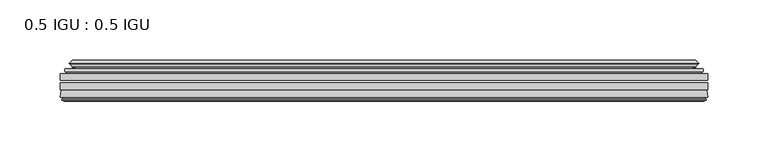
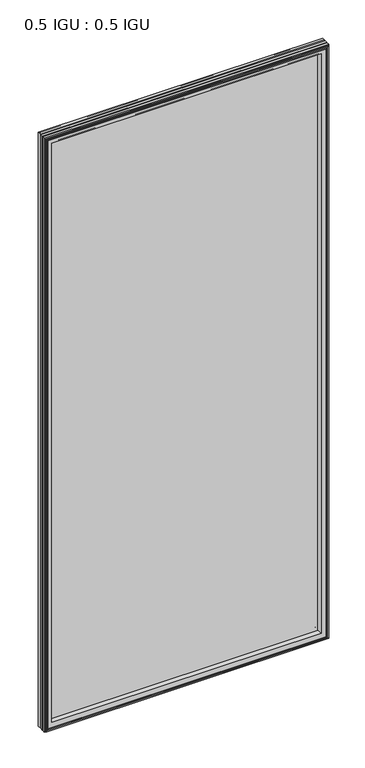
"""IFC4 building model written with IfcOpenShell, lengths in millimetres: plate geometry, 0.5 IGU : 0.5 IGU."""

from ifc_helpers import new_model, si_unit, frame, origin, place, context, project, spatial, polyline, ellipse_curve, outline, extrude, source, transform, mapped, element, save
from ifc_brep_helpers import plane_surface, cylinder_surface, revolved_surface, advanced_brep


def plate_0_5_igu_0_5_igu_b708f7c6(model_context):
    return source(origin(), model_context, "Body", "SolidModel", [
        extrude(outline(polyline([(268.301675, -55.82285), (268.301675, -61.48705), (-268.2875, -61.48705), (-268.2875, -55.82285), (268.301675, -55.82285)])), frame((0.0, 0.0, -14.2875), z_axis=(0.0, 0.0, 1.0), x_axis=(1.0, 0.0, 0.0)), (0.0, 0.0, 1.0), 1184.2787979),
        extrude(outline(polyline([(-268.2875, -69.05625), (-268.2875, -63.39205), (268.301675, -63.39205), (268.301675, -69.05625), (-268.2875, -69.05625)])), frame((0.0, 0.0, -14.2875), z_axis=(0.0, 0.0, 1.0), x_axis=(1.0, 0.0, 0.0)), (0.0, 0.0, 1.0), 1184.2787979),
        advanced_brep(
        [(-264.1849626, -54.3724927, 1165.8849626), (-263.1404378, -51.60645, 1164.8404378), (-263.1404378, -51.60645, -9.1404378), (-264.1849626, -54.3724927, -10.1849626), (-262.548517, -55.82285, 1164.248517), (-262.548517, -55.82285, -8.548517), (-254.0, -45.63745, 1155.7), (-250.4172761, -55.82285, 1152.1172761), (-250.4172761, -55.82285, 3.5827239), (-254.0, -45.63745, 0.0), (-259.1859109, -46.8185491, 1160.8859109), (-259.1859109, -46.8185491, -5.1859109), (-258.3888893, -44.8183085, 1160.0888893), (-258.3888893, -44.8183085, -4.3888893), (-260.6726111, -47.135817, 1162.3726111), (-260.6726111, -47.135817, -6.6726111), (-260.6726111, -47.8489429, 1162.3726111), (-260.6726111, -47.8489429, -6.6726111), (-258.3888893, -50.1664515, 1160.0888893), (-258.3888893, -50.1664515, -4.3888893), (-259.1782501, -48.1854367, 1160.8782501), (-259.1782501, -48.1854367, -5.1782501), (-256.6544379, -48.027045, 1158.3544379), (-256.6544379, -48.027045, -2.6544379), (-255.6286217, -48.7147544, 1157.3286217), (-255.6286217, -48.7147544, -1.6286217), (-255.7470288, -50.1092231, 1157.4470288), (-255.7470288, -50.1092231, -1.7470288), (-256.3487748, -51.60645, 1158.0487748), (-256.3487748, -51.60645, -2.3487748), (263.1404378, -51.60645, -9.1404378), (264.1849626, -54.3724927, -10.1849626), (262.548517, -55.82285, -8.548517), (250.4172761, -55.82285, 3.5827239), (254.0, -45.63745, 0.0), (259.1859109, -46.8185491, -5.1859109), (258.3888893, -44.8183085, -4.3888893), (260.6726111, -47.135817, -6.6726111), (260.6726111, -47.8489429, -6.6726111), (258.3888893, -50.1664515, -4.3888893), (259.1782501, -48.1854367, -5.1782501), (256.6544379, -48.027045, -2.6544379), (255.6286217, -48.7147544, -1.6286217), (255.7470288, -50.1092231, -1.7470288), (256.3487748, -51.60645, -2.3487748), (263.1404378, -51.60645, 1164.8404378), (264.1849626, -54.3724927, 1165.8849626), (262.548517, -55.82285, 1164.248517), (250.4172761, -55.82285, 1152.1172761), (254.0, -45.63745, 1155.7), (259.1859109, -46.8185491, 1160.8859109), (258.3888893, -44.8183085, 1160.0888893), (260.6726111, -47.135817, 1162.3726111), (260.6726111, -47.8489429, 1162.3726111), (258.3888893, -50.1664515, 1160.0888893), (259.1782501, -48.1854367, 1160.8782501), (256.6544379, -48.027045, 1158.3544379), (255.6286217, -48.7147544, 1157.3286217), (255.7470288, -50.1092231, 1157.4470288), (256.3487748, -51.60645, 1158.0487748)],
        [
            (0, 1, ellipse_curve(frame((-263.1320703, -53.1898501, 1164.8320703), z_axis=(-0.7071067811865475, 0.0, -0.7071067811865475), x_axis=(-0.7071067811865474, 0.0, 0.7071067811865476)), 2.2392971, 1.5834222)),
            (1, 2),
            (2, 3, ellipse_curve(frame((-263.1320703, -53.1898501, -9.1320703), z_axis=(-0.7071067811865475, 0.0, 0.7071067811865475), x_axis=(0.7071067811865474, 0.0, 0.7071067811865476)), 2.2392971, 1.5834222)),
            (3, 0),
            (4, 0),
            (3, 5),
            (5, 4),
            (6, 7, ellipse_curve(frame((-221.720246, -40.0058297, 1123.420246), z_axis=(0.7071067811865475, 0.0, 0.7071067811865475), x_axis=(0.7071067811865474, 0.0, -0.7071067811865476)), 46.3399971, 32.7673262)),
            (7, 8),
            (8, 9, ellipse_curve(frame((-221.720246, -40.0058297, 32.279754), z_axis=(0.7071067811865475, 0.0, -0.7071067811865475), x_axis=(-0.7071067811865474, 0.0, -0.7071067811865476)), 46.3399971, 32.7673262)),
            (9, 6),
            (10, 6),
            (9, 11),
            (11, 10),
            (12, 10),
            (11, 13),
            (13, 12),
            (14, 12),
            (13, 15),
            (15, 14),
            (16, 14, ellipse_curve(frame((-260.3107729, -47.49238, 1162.0107729), z_axis=(-0.7071067811865475, 0.0, -0.7071067811865475), x_axis=(-0.7071067811865474, 0.0, 0.7071067811865476)), 0.7184205, 0.508)),
            (15, 17, ellipse_curve(frame((-260.3107729, -47.49238, -6.3107729), z_axis=(-0.7071067811865475, 0.0, 0.7071067811865475), x_axis=(0.7071067811865474, 0.0, 0.7071067811865476)), 0.7184205, 0.508)),
            (17, 16),
            (18, 16),
            (17, 19),
            (19, 18),
            (20, 18),
            (19, 21),
            (21, 20),
            (22, 20),
            (21, 23),
            (23, 22),
            (24, 22, ellipse_curve(frame((-256.5908, -49.04105, 1158.2908), z_axis=(0.7071067811865475, 0.0, 0.7071067811865475), x_axis=(0.7071067811865474, 0.0, -0.7071067811865476)), 1.436841, 1.016)),
            (23, 25, ellipse_curve(frame((-256.5908, -49.04105, -2.5908), z_axis=(0.7071067811865475, 0.0, -0.7071067811865475), x_axis=(-0.7071067811865474, 0.0, -0.7071067811865476)), 1.436841, 1.016)),
            (25, 24),
            (26, 24, ellipse_curve(frame((-257.9624, -49.21885, 1159.6624), z_axis=(0.7071067811865475, 0.0, 0.7071067811865475), x_axis=(0.7071067811865474, 0.0, -0.7071067811865476)), 3.3765763, 2.3876)),
            (25, 27, ellipse_curve(frame((-257.9624, -49.21885, -3.9624), z_axis=(0.7071067811865475, 0.0, -0.7071067811865475), x_axis=(-0.7071067811865474, 0.0, -0.7071067811865476)), 3.3765763, 2.3876)),
            (27, 26),
            (28, 26),
            (27, 29),
            (29, 28),
            (2, 30),
            (30, 31, ellipse_curve(frame((263.1320703, -53.1898501, -9.1320703), z_axis=(-0.7071067811865475, 0.0, -0.7071067811865475), x_axis=(-0.7071067811865476, 0.0, 0.7071067811865474)), 2.2392971, 1.5834222)),
            (31, 3),
            (31, 32),
            (32, 5),
            (8, 33),
            (33, 34, ellipse_curve(frame((221.720246, -40.0058297, 32.279754), z_axis=(0.7071067811865475, 0.0, 0.7071067811865475), x_axis=(0.7071067811865476, 0.0, -0.7071067811865474)), 46.3399971, 32.7673262)),
            (34, 9),
            (34, 35),
            (35, 11),
            (35, 36),
            (36, 13),
            (36, 37),
            (37, 15),
            (37, 38, ellipse_curve(frame((260.3107729, -47.49238, -6.3107729), z_axis=(-0.7071067811865475, 0.0, -0.7071067811865475), x_axis=(-0.7071067811865476, 0.0, 0.7071067811865474)), 0.7184205, 0.508)),
            (38, 17),
            (38, 39),
            (39, 19),
            (39, 40),
            (40, 21),
            (40, 41),
            (41, 23),
            (41, 42, ellipse_curve(frame((256.5908, -49.04105, -2.5908), z_axis=(0.7071067811865475, 0.0, 0.7071067811865475), x_axis=(0.7071067811865476, 0.0, -0.7071067811865474)), 1.436841, 1.016)),
            (42, 25),
            (42, 43, ellipse_curve(frame((257.9624, -49.21885, -3.9624), z_axis=(0.7071067811865475, 0.0, 0.7071067811865475), x_axis=(0.7071067811865476, 0.0, -0.7071067811865474)), 3.3765763, 2.3876)),
            (43, 27),
            (43, 44),
            (44, 29),
            (30, 45),
            (45, 46, ellipse_curve(frame((263.1320703, -53.1898501, 1164.8320703), z_axis=(0.7071067811865475, 0.0, -0.7071067811865475), x_axis=(-0.7071067811865474, 0.0, -0.7071067811865476)), 2.2392971, 1.5834222)),
            (46, 31),
            (46, 47),
            (47, 32),
            (33, 48),
            (48, 49, ellipse_curve(frame((221.720246, -40.0058297, 1123.420246), z_axis=(-0.7071067811865475, 0.0, 0.7071067811865475), x_axis=(0.7071067811865474, 0.0, 0.7071067811865476)), 46.3399971, 32.7673262)),
            (49, 34),
            (49, 50),
            (50, 35),
            (50, 51),
            (51, 36),
            (51, 52),
            (52, 37),
            (52, 53, ellipse_curve(frame((260.3107729, -47.49238, 1162.0107729), z_axis=(0.7071067811865475, 0.0, -0.7071067811865475), x_axis=(-0.7071067811865474, 0.0, -0.7071067811865476)), 0.7184205, 0.508)),
            (53, 38),
            (53, 54),
            (54, 39),
            (54, 55),
            (55, 40),
            (55, 56),
            (56, 41),
            (56, 57, ellipse_curve(frame((256.5908, -49.04105, 1158.2908), z_axis=(-0.7071067811865475, 0.0, 0.7071067811865475), x_axis=(0.7071067811865474, 0.0, 0.7071067811865476)), 1.436841, 1.016)),
            (57, 42),
            (57, 58, ellipse_curve(frame((257.9624, -49.21885, 1159.6624), z_axis=(-0.7071067811865475, 0.0, 0.7071067811865475), x_axis=(0.7071067811865474, 0.0, 0.7071067811865476)), 3.3765763, 2.3876)),
            (58, 43),
            (58, 59),
            (59, 44),
            (45, 1),
            (0, 46),
            (4, 47),
            (7, 48),
            (6, 49),
            (10, 50),
            (12, 51),
            (14, 52),
            (16, 53),
            (18, 54),
            (20, 55),
            (22, 56),
            (24, 57),
            (26, 58),
            (28, 59),
        ],
        [
            cylinder_surface(frame((-263.1320703, -53.1898501, 1187.45), z_axis=(0.0, 0.0, 1.0), x_axis=(-1.0, 0.0, 0.0)), 1.5834222),
            plane_surface(frame((-264.1849626, -54.3724927, 1165.8849626), z_axis=(-0.6632745773184306, -0.7483761320907135, 0.0), x_axis=(0.0, 0.0, -1.0))),
            revolved_surface(polyline([(-254.4875722, -40.0058297, -0.48757218957507575), (-254.4875722, -40.0058297, 1156.187572189575)]), (-221.720246, -40.0058297, 1187.45), (0.0, 0.0, -1.0)),
            plane_surface(frame((-254.0, -45.63745, 1155.7), z_axis=(-0.2220649844278743, 0.975031867525902, 0.0), x_axis=(0.0, 0.0, -1.0))),
            plane_surface(frame((-259.1859109, -46.8185491, 1160.8859109), z_axis=(0.9289682685630282, -0.370159365683228, 0.0), x_axis=(0.0, 0.0, -1.0))),
            plane_surface(frame((-258.3888893, -44.8183085, 1160.0888893), z_axis=(-0.7122798501733507, 0.7018955869907071, 0.0), x_axis=(0.0, 0.0, -1.0))),
            cylinder_surface(frame((-260.3107729, -47.49238, 1187.45), z_axis=(0.0, 0.0, 1.0), x_axis=(-1.0, 0.0, 0.0)), 0.508),
            plane_surface(frame((-260.6726111, -47.8489429, 1162.3726111), z_axis=(-0.7122798501732925, -0.701895586990766, 0.0), x_axis=(0.0, 0.0, -1.0))),
            plane_surface(frame((-258.3888893, -50.1664515, 1160.0888893), z_axis=(0.9289682685628707, 0.3701593656836228, 0.0), x_axis=(0.0, 0.0, -1.0))),
            plane_surface(frame((-259.1782501, -48.1854367, 1160.8782501), z_axis=(0.0626357011928498, -0.9980364567169279, 0.0), x_axis=(0.0, 0.0, -1.0))),
            revolved_surface(polyline([(-257.6068, -49.04105, -3.6068000145867245), (-257.6068, -49.04105, 1159.3068000145868)]), (-256.5908, -49.04105, 1187.45), (0.0, 0.0, -1.0)),
            revolved_surface(polyline([(-260.35, -49.21885, -6.3499999989237494), (-260.35, -49.21885, 1162.0499999989238)]), (-257.9624, -49.21885, 1187.45), (0.0, 0.0, -1.0)),
            plane_surface(frame((-255.7470288, -50.1092231, 1157.4470288), z_axis=(-0.9278652925428184, 0.3729155385532094, 0.0), x_axis=(0.0, 0.0, -1.0))),
            cylinder_surface(frame((-285.75, -53.1898501, -9.1320703), z_axis=(-1.0, 0.0, 0.0), x_axis=(0.0, 0.0, -1.0)), 1.5834222),
            plane_surface(frame((-264.1849626, -54.3724927, -10.1849626), z_axis=(0.0, -0.7483761320907157, -0.6632745773184283), x_axis=(1.0, 0.0, 0.0))),
            revolved_surface(polyline([(254.48757218957496, -40.0058297, -0.48757220000000245), (-254.48757218957493, -40.0058297, -0.48757220000000245)]), (-285.75, -40.0058297, 32.279754), (1.0, 0.0, 0.0)),
            plane_surface(frame((-254.0, -45.63745, 0.0), z_axis=(0.0, 0.9750318675259013, -0.22206498442787745), x_axis=(1.0, 0.0, 0.0))),
            plane_surface(frame((-259.1859109, -46.8185491, -5.1859109), z_axis=(0.0, -0.370159365683225, 0.9289682685630294), x_axis=(1.0, 0.0, 0.0))),
            plane_surface(frame((-258.3888893, -44.8183085, -4.3888893), z_axis=(0.0, 0.7018955869907048, -0.7122798501733529), x_axis=(1.0, 0.0, 0.0))),
            cylinder_surface(frame((-285.75, -47.49238, -6.3107729), z_axis=(-1.0, 0.0, 0.0), x_axis=(0.0, 0.0, -1.0)), 0.508),
            plane_surface(frame((-260.6726111, -47.8489429, -6.6726111), z_axis=(0.0, -0.7018955869907684, -0.7122798501732903), x_axis=(1.0, 0.0, 0.0))),
            plane_surface(frame((-258.3888893, -50.1664515, -4.3888893), z_axis=(0.0, 0.37015936568362584, 0.9289682685628696), x_axis=(1.0, 0.0, 0.0))),
            plane_surface(frame((-259.1782501, -48.1854367, -5.1782501), z_axis=(0.0, -0.9980364567169276, 0.06263570119285301), x_axis=(1.0, 0.0, 0.0))),
            revolved_surface(polyline([(257.60680001458684, -49.04105, -3.6068000000000002), (-257.60680001458684, -49.04105, -3.6068000000000002)]), (-285.75, -49.04105, -2.5908), (1.0, 0.0, 0.0)),
            revolved_surface(polyline([(260.34999999892375, -49.21885, -6.35), (-260.3499999989238, -49.21885, -6.35)]), (-285.75, -49.21885, -3.9624), (1.0, 0.0, 0.0)),
            plane_surface(frame((-255.7470288, -50.1092231, -1.7470288), z_axis=(0.0, 0.3729155385532064, -0.9278652925428196), x_axis=(1.0, 0.0, 0.0))),
            cylinder_surface(frame((263.1320703, -53.1898501, -31.75), z_axis=(0.0, 0.0, -1.0), x_axis=(1.0, 0.0, 0.0)), 1.5834222),
            plane_surface(frame((264.1849626, -54.3724927, -10.1849626), z_axis=(0.6632745773184259, -0.7483761320907178, 0.0), x_axis=(0.0, 0.0, 1.0))),
            revolved_surface(polyline([(254.4875722, -40.0058297, 1156.187572189575), (254.4875722, -40.0058297, -0.48757218957494075)]), (221.720246, -40.0058297, -31.75), (0.0, 0.0, 1.0)),
            plane_surface(frame((254.0, -45.63745, 0.0), z_axis=(0.22206498442788056, 0.9750318675259005, 0.0), x_axis=(0.0, 0.0, 1.0))),
            plane_surface(frame((259.1859109, -46.8185491, -5.1859109), z_axis=(-0.9289682685630306, -0.370159365683222, 0.0), x_axis=(0.0, 0.0, 1.0))),
            plane_surface(frame((258.3888893, -44.8183085, -4.3888893), z_axis=(0.7122798501733552, 0.7018955869907024, 0.0), x_axis=(0.0, 0.0, 1.0))),
            cylinder_surface(frame((260.3107729, -47.49238, -31.75), z_axis=(0.0, 0.0, -1.0), x_axis=(1.0, 0.0, 0.0)), 0.508),
            plane_surface(frame((260.6726111, -47.8489429, -6.6726111), z_axis=(0.712279850173288, -0.7018955869907706, 0.0), x_axis=(0.0, 0.0, 1.0))),
            plane_surface(frame((258.3888893, -50.1664515, -4.3888893), z_axis=(-0.9289682685628684, 0.37015936568362884, 0.0), x_axis=(0.0, 0.0, 1.0))),
            plane_surface(frame((259.1782501, -48.1854367, -5.1782501), z_axis=(-0.06263570119285623, -0.9980364567169274, 0.0), x_axis=(0.0, 0.0, 1.0))),
            revolved_surface(polyline([(257.6068, -49.04105, 1159.3068000145868), (257.6068, -49.04105, -3.606800014586863)]), (256.5908, -49.04105, -31.75), (0.0, 0.0, 1.0)),
            revolved_surface(polyline([(260.35, -49.21885, 1162.0499999989238), (260.35, -49.21885, -6.349999998923781)]), (257.9624, -49.21885, -31.75), (0.0, 0.0, 1.0)),
            plane_surface(frame((255.7470288, -50.1092231, -1.7470288), z_axis=(0.9278652925428208, 0.3729155385532034, 0.0), x_axis=(0.0, 0.0, 1.0))),
            cylinder_surface(frame((285.75, -53.1898501, 1164.8320703), z_axis=(1.0, 0.0, 0.0), x_axis=(0.0, 0.0, 1.0)), 1.5834222),
            plane_surface(frame((264.1849626, -54.3724927, 1165.8849626), z_axis=(0.0, -0.7483761320907157, 0.6632745773184283), x_axis=(-1.0, 0.0, 0.0))),
            plane_surface(frame((262.548517, -55.82285, 1164.248517), z_axis=(0.0, -1.0, 0.0), x_axis=(-1.0, 0.0, 0.0))),
            revolved_surface(polyline([(-254.48757218957496, -40.0058297, 1156.1875722), (254.48757218957493, -40.0058297, 1156.1875722)]), (285.75, -40.0058297, 1123.420246), (-1.0, 0.0, 0.0)),
            plane_surface(frame((254.0, -45.63745, 1155.7), z_axis=(0.0, 0.9750318675259012, 0.22206498442787742), x_axis=(-1.0, 0.0, 0.0))),
            plane_surface(frame((259.1859109, -46.8185491, 1160.8859109), z_axis=(0.0, -0.370159365683225, -0.9289682685630294), x_axis=(-1.0, 0.0, 0.0))),
            plane_surface(frame((258.3888893, -44.8183085, 1160.0888893), z_axis=(0.0, 0.7018955869907048, 0.7122798501733529), x_axis=(-1.0, 0.0, 0.0))),
            cylinder_surface(frame((285.75, -47.49238, 1162.0107729), z_axis=(1.0, 0.0, 0.0), x_axis=(0.0, 0.0, 1.0)), 0.508),
            plane_surface(frame((260.6726111, -47.8489429, 1162.3726111), z_axis=(0.0, -0.7018955869907684, 0.7122798501732903), x_axis=(-1.0, 0.0, 0.0))),
            plane_surface(frame((258.3888893, -50.1664515, 1160.0888893), z_axis=(0.0, 0.37015936568362584, -0.9289682685628696), x_axis=(-1.0, 0.0, 0.0))),
            plane_surface(frame((259.1782501, -48.1854367, 1160.8782501), z_axis=(0.0, -0.9980364567169276, -0.06263570119285301), x_axis=(-1.0, 0.0, 0.0))),
            revolved_surface(polyline([(-257.60680001458684, -49.04105, 1159.3068), (257.60680001458684, -49.04105, 1159.3068)]), (285.75, -49.04105, 1158.2908), (-1.0, 0.0, 0.0)),
            revolved_surface(polyline([(-260.34999999892375, -49.21885, 1162.05), (260.3499999989238, -49.21885, 1162.05)]), (285.75, -49.21885, 1159.6624), (-1.0, 0.0, 0.0)),
            plane_surface(frame((255.7470288, -50.1092231, 1157.4470288), z_axis=(0.0, 0.3729155385532064, 0.9278652925428196), x_axis=(-1.0, 0.0, 0.0))),
            plane_surface(frame((256.3487748, -51.60645, 1158.0487748), z_axis=(0.0, 1.0, 0.0), x_axis=(-1.0, 0.0, 0.0))),
        ],
        [
            (0, [[1, 2, 3, 4]]),
            (1, [[5, -4, 6, 7]]),
            (2, [[8, 9, 10, 11]]),
            (3, [[12, -11, 13, 14]]),
            (4, [[15, -14, 16, 17]]),
            (5, [[18, -17, 19, 20]]),
            (6, [[21, -20, 22, 23]]),
            (7, [[24, -23, 25, 26]]),
            (8, [[27, -26, 28, 29]]),
            (9, [[30, -29, 31, 32]]),
            (10, [[33, -32, 34, 35]]),
            (11, [[36, -35, 37, 38]]),
            (12, [[39, -38, 40, 41]]),
            (13, [[-3, 42, 43, 44]]),
            (14, [[-6, -44, 45, 46]]),
            (15, [[-10, 47, 48, 49]]),
            (16, [[-13, -49, 50, 51]]),
            (17, [[-16, -51, 52, 53]]),
            (18, [[-19, -53, 54, 55]]),
            (19, [[-22, -55, 56, 57]]),
            (20, [[-25, -57, 58, 59]]),
            (21, [[-28, -59, 60, 61]]),
            (22, [[-31, -61, 62, 63]]),
            (23, [[-34, -63, 64, 65]]),
            (24, [[-37, -65, 66, 67]]),
            (25, [[-40, -67, 68, 69]]),
            (26, [[-43, 70, 71, 72]]),
            (27, [[-45, -72, 73, 74]]),
            (28, [[-48, 75, 76, 77]]),
            (29, [[-50, -77, 78, 79]]),
            (30, [[-52, -79, 80, 81]]),
            (31, [[-54, -81, 82, 83]]),
            (32, [[-56, -83, 84, 85]]),
            (33, [[-58, -85, 86, 87]]),
            (34, [[-60, -87, 88, 89]]),
            (35, [[-62, -89, 90, 91]]),
            (36, [[-64, -91, 92, 93]]),
            (37, [[-66, -93, 94, 95]]),
            (38, [[-68, -95, 96, 97]]),
            (39, [[-71, 98, -1, 99]]),
            (40, [[-73, -99, -5, 100]]),
            (41, [[-46, -74, -100, -7], [101, -75, -47, -9]]),
            (42, [[-76, -101, -8, 102]]),
            (43, [[-78, -102, -12, 103]]),
            (44, [[-80, -103, -15, 104]]),
            (45, [[-82, -104, -18, 105]]),
            (46, [[-84, -105, -21, 106]]),
            (47, [[-86, -106, -24, 107]]),
            (48, [[-88, -107, -27, 108]]),
            (49, [[-90, -108, -30, 109]]),
            (50, [[-92, -109, -33, 110]]),
            (51, [[-94, -110, -36, 111]]),
            (52, [[-96, -111, -39, 112]]),
            (53, [[-98, -70, -42, -2], [-69, -97, -112, -41]]),
        ],
    ),
        advanced_brep(
        [(-268.3002, -75.40625, 1170.0002), (-267.6054162, -69.7476901, 1169.3054162), (-267.6054162, -69.7476901, -13.6054162), (-268.3002, -75.40625, -14.3002), (-265.9126, -77.3973143, 1167.6126), (-266.3698, -75.40625, 1168.0698), (-266.3698, -75.40625, -12.3698), (-265.9126, -77.3973143, -11.9126), (-266.9139619, -77.1290001, 1168.6139619), (-266.9139619, -77.1290001, -12.9139619), (-267.1572, -78.0367772, 1168.8572), (-267.1572, -78.0367772, -13.1572), (-265.1252, -78.58125, 1166.8252), (-265.1252, -78.58125, -11.1252), (-263.0932, -78.0367772, 1164.7932), (-263.0932, -78.0367772, -9.0932), (-263.3364381, -77.1290001, 1165.0364381), (-263.3364381, -77.1290001, -9.3364381), (-264.3378, -77.3973143, 1166.0378), (-264.3378, -77.3973143, -10.3378), (-263.8806, -75.40625, 1165.5806), (-263.8806, -75.40625, -9.8806), (-250.4105369, -69.05625, 1152.1105369), (-254.0, -75.40625, 1155.7), (-254.0, -75.40625, 0.0), (-250.4105369, -69.05625, 3.5894631), (-266.8238854, -69.05625, 1168.5238854), (-266.8238854, -69.05625, -12.8238854), (267.6054162, -69.7476901, -13.6054162), (268.3002, -75.40625, -14.3002), (266.3698, -75.40625, -12.3698), (265.9126, -77.3973143, -11.9126), (266.9139619, -77.1290001, -12.9139619), (267.1572, -78.0367772, -13.1572), (265.1252, -78.58125, -11.1252), (263.0932, -78.0367772, -9.0932), (263.3364381, -77.1290001, -9.3364381), (264.3378, -77.3973143, -10.3378), (263.8806, -75.40625, -9.8806), (254.0, -75.40625, 0.0), (250.4105369, -69.05625, 3.5894631), (266.8238854, -69.05625, -12.8238854), (267.6054162, -69.7476901, 1169.3054162), (268.3002, -75.40625, 1170.0002), (266.3698, -75.40625, 1168.0698), (265.9126, -77.3973143, 1167.6126), (266.9139619, -77.1290001, 1168.6139619), (267.1572, -78.0367772, 1168.8572), (265.1252, -78.58125, 1166.8252), (263.0932, -78.0367772, 1164.7932), (263.3364381, -77.1290001, 1165.0364381), (264.3378, -77.3973143, 1166.0378), (263.8806, -75.40625, 1165.5806), (254.0, -75.40625, 1155.7), (250.4105369, -69.05625, 1152.1105369), (266.8238854, -69.05625, 1168.5238854)],
        [
            (0, 1),
            (1, 2),
            (2, 3),
            (3, 0),
            (4, 5),
            (5, 6),
            (6, 7),
            (7, 4),
            (8, 4),
            (7, 9),
            (9, 8),
            (10, 8),
            (9, 11),
            (11, 10),
            (12, 10),
            (11, 13),
            (13, 12),
            (14, 12),
            (13, 15),
            (15, 14),
            (16, 14),
            (15, 17),
            (17, 16),
            (18, 16),
            (17, 19),
            (19, 18),
            (20, 18),
            (19, 21),
            (21, 20),
            (22, 23, ellipse_curve(frame((-245.5237114, -76.0081323, 1147.2237114), z_axis=(0.7071067811865475, 0.0, 0.7071067811865475), x_axis=(0.7071067811865474, 0.0, -0.7071067811865476)), 12.0174649, 8.4976309)),
            (23, 24),
            (24, 25, ellipse_curve(frame((-245.5237114, -76.0081323, 8.4762886), z_axis=(0.7071067811865475, 0.0, -0.7071067811865475), x_axis=(-0.7071067811865474, 0.0, -0.7071067811865476)), 12.0174649, 8.4976309)),
            (25, 22),
            (1, 26, ellipse_curve(frame((-266.8238854, -69.84365, 1168.5238854), z_axis=(-0.7071067811865475, 0.0, -0.7071067811865475), x_axis=(-0.7071067811865474, 0.0, 0.7071067811865476)), 1.1135518, 0.7874)),
            (26, 27),
            (27, 2, ellipse_curve(frame((-266.8238854, -69.84365, -12.8238854), z_axis=(-0.7071067811865475, 0.0, 0.7071067811865475), x_axis=(0.7071067811865474, 0.0, 0.7071067811865476)), 1.1135518, 0.7874)),
            (2, 28),
            (28, 29),
            (29, 3),
            (6, 30),
            (30, 31),
            (31, 7),
            (31, 32),
            (32, 9),
            (32, 33),
            (33, 11),
            (33, 34),
            (34, 13),
            (34, 35),
            (35, 15),
            (35, 36),
            (36, 17),
            (36, 37),
            (37, 19),
            (37, 38),
            (38, 21),
            (24, 39),
            (39, 40, ellipse_curve(frame((245.5237114, -76.0081323, 8.4762886), z_axis=(0.7071067811865475, 0.0, 0.7071067811865475), x_axis=(0.7071067811865476, 0.0, -0.7071067811865474)), 12.0174649, 8.4976309)),
            (40, 25),
            (27, 41),
            (41, 28, ellipse_curve(frame((266.8238854, -69.84365, -12.8238854), z_axis=(-0.7071067811865475, 0.0, -0.7071067811865475), x_axis=(-0.7071067811865476, 0.0, 0.7071067811865474)), 1.1135518, 0.7874)),
            (28, 42),
            (42, 43),
            (43, 29),
            (30, 44),
            (44, 45),
            (45, 31),
            (45, 46),
            (46, 32),
            (46, 47),
            (47, 33),
            (47, 48),
            (48, 34),
            (48, 49),
            (49, 35),
            (49, 50),
            (50, 36),
            (50, 51),
            (51, 37),
            (51, 52),
            (52, 38),
            (39, 53),
            (53, 54, ellipse_curve(frame((245.5237114, -76.0081323, 1147.2237114), z_axis=(-0.7071067811865475, 0.0, 0.7071067811865475), x_axis=(0.7071067811865474, 0.0, 0.7071067811865476)), 12.0174649, 8.4976309)),
            (54, 40),
            (41, 55),
            (55, 42, ellipse_curve(frame((266.8238854, -69.84365, 1168.5238854), z_axis=(0.7071067811865475, 0.0, -0.7071067811865475), x_axis=(-0.7071067811865474, 0.0, -0.7071067811865476)), 1.1135518, 0.7874)),
            (42, 1),
            (0, 43),
            (5, 44),
            (4, 45),
            (8, 46),
            (10, 47),
            (12, 48),
            (14, 49),
            (16, 50),
            (18, 51),
            (20, 52),
            (23, 53),
            (22, 54),
            (26, 55),
        ],
        [
            plane_surface(frame((-267.6054162, -69.7476901, 1169.3054162), z_axis=(-0.992546151641325, 0.12186934340512405, 0.0), x_axis=(0.0, 0.0, -1.0))),
            plane_surface(frame((-266.3698, -75.40625, 1168.0698), z_axis=(-0.9746347637895902, -0.22380142361658398, 0.0), x_axis=(0.0, 0.0, -1.0))),
            plane_surface(frame((-265.9126, -77.3973143, 1167.6126), z_axis=(0.2588190451026526, 0.965925826289033, 0.0), x_axis=(0.0, 0.0, -1.0))),
            plane_surface(frame((-266.9139619, -77.1290001, 1168.6139619), z_axis=(-0.9659258262890449, 0.2588190451026083, 0.0), x_axis=(0.0, 0.0, -1.0))),
            plane_surface(frame((-267.1572, -78.0367772, 1168.8572), z_axis=(-0.2588190451024403, -0.96592582628909, 0.0), x_axis=(0.0, 0.0, -1.0))),
            plane_surface(frame((-265.1252, -78.58125, 1166.8252), z_axis=(0.2588190451025434, -0.9659258262890623, 0.0), x_axis=(0.0, 0.0, -1.0))),
            plane_surface(frame((-263.0932, -78.0367772, 1164.7932), z_axis=(0.9659258262891713, 0.25881904510213655, 0.0), x_axis=(0.0, 0.0, -1.0))),
            plane_surface(frame((-263.3364381, -77.1290001, 1165.0364381), z_axis=(-0.25881904510234177, 0.9659258262891163, 0.0), x_axis=(0.0, 0.0, -1.0))),
            plane_surface(frame((-264.3378, -77.3973143, 1166.0378), z_axis=(0.9746347637895849, -0.22380142361660743, 0.0), x_axis=(0.0, 0.0, -1.0))),
            revolved_surface(polyline([(-254.0213423, -76.0081323, -0.021342323461112755), (-254.0213423, -76.0081323, 1155.7213423234612)]), (-245.5237114, -76.0081323, 1187.45), (0.0, 0.0, -1.0)),
            cylinder_surface(frame((-266.8238854, -69.84365, 1187.45), z_axis=(0.0, 0.0, 1.0), x_axis=(-1.0, 0.0, 0.0)), 0.7874),
            plane_surface(frame((-267.6054162, -69.7476901, -13.6054162), z_axis=(0.0, 0.12186934340512084, -0.9925461516413254), x_axis=(1.0, 0.0, 0.0))),
            plane_surface(frame((-266.3698, -75.40625, -12.3698), z_axis=(0.0, -0.22380142361658714, -0.9746347637895896), x_axis=(1.0, 0.0, 0.0))),
            plane_surface(frame((-265.9126, -77.3973143, -11.9126), z_axis=(0.0, 0.9659258262890339, 0.25881904510264947), x_axis=(1.0, 0.0, 0.0))),
            plane_surface(frame((-266.9139619, -77.1290001, -12.9139619), z_axis=(0.0, 0.25881904510260517, -0.9659258262890458), x_axis=(1.0, 0.0, 0.0))),
            plane_surface(frame((-267.1572, -78.0367772, -13.1572), z_axis=(0.0, -0.9659258262890907, -0.25881904510243714), x_axis=(1.0, 0.0, 0.0))),
            plane_surface(frame((-265.1252, -78.58125, -11.1252), z_axis=(0.0, -0.9659258262890614, 0.2588190451025465), x_axis=(1.0, 0.0, 0.0))),
            plane_surface(frame((-263.0932, -78.0367772, -9.0932), z_axis=(0.0, 0.25881904510213966, 0.9659258262891705), x_axis=(1.0, 0.0, 0.0))),
            plane_surface(frame((-263.3364381, -77.1290001, -9.3364381), z_axis=(0.0, 0.9659258262891154, -0.2588190451023449), x_axis=(1.0, 0.0, 0.0))),
            plane_surface(frame((-264.3378, -77.3973143, -10.3378), z_axis=(0.0, -0.2238014236166043, 0.9746347637895857), x_axis=(1.0, 0.0, 0.0))),
            revolved_surface(polyline([(254.02134232346134, -76.0081323, -0.02134230000000059), (-254.0213423234613, -76.0081323, -0.02134230000000059)]), (-285.75, -76.0081323, 8.4762886), (1.0, 0.0, 0.0)),
            cylinder_surface(frame((-285.75, -69.84365, -12.8238854), z_axis=(-1.0, 0.0, 0.0), x_axis=(0.0, 0.0, -1.0)), 0.7874),
            plane_surface(frame((267.6054162, -69.7476901, -13.6054162), z_axis=(0.9925461516413259, 0.12186934340511764, 0.0), x_axis=(0.0, 0.0, 1.0))),
            plane_surface(frame((266.3698, -75.40625, -12.3698), z_axis=(0.9746347637895888, -0.22380142361659028, 0.0), x_axis=(0.0, 0.0, 1.0))),
            plane_surface(frame((265.9126, -77.3973143, -11.9126), z_axis=(-0.25881904510264636, 0.9659258262890348, 0.0), x_axis=(0.0, 0.0, 1.0))),
            plane_surface(frame((266.9139619, -77.1290001, -12.9139619), z_axis=(0.9659258262890467, 0.25881904510260206, 0.0), x_axis=(0.0, 0.0, 1.0))),
            plane_surface(frame((267.1572, -78.0367772, -13.1572), z_axis=(0.25881904510243403, -0.9659258262890916, 0.0), x_axis=(0.0, 0.0, 1.0))),
            plane_surface(frame((265.1252, -78.58125, -11.1252), z_axis=(-0.25881904510254966, -0.9659258262890607, 0.0), x_axis=(0.0, 0.0, 1.0))),
            plane_surface(frame((263.0932, -78.0367772, -9.0932), z_axis=(-0.9659258262891696, 0.25881904510214276, 0.0), x_axis=(0.0, 0.0, 1.0))),
            plane_surface(frame((263.3364381, -77.1290001, -9.3364381), z_axis=(0.25881904510234804, 0.9659258262891146, 0.0), x_axis=(0.0, 0.0, 1.0))),
            plane_surface(frame((264.3378, -77.3973143, -10.3378), z_axis=(-0.9746347637895864, -0.22380142361660113, 0.0), x_axis=(0.0, 0.0, 1.0))),
            revolved_surface(polyline([(254.0213423, -76.0081323, 1155.7213423234612), (254.0213423, -76.0081323, -0.021342323461311707)]), (245.5237114, -76.0081323, -31.75), (0.0, 0.0, 1.0)),
            cylinder_surface(frame((266.8238854, -69.84365, -31.75), z_axis=(0.0, 0.0, -1.0), x_axis=(1.0, 0.0, 0.0)), 0.7874),
            plane_surface(frame((267.6054162, -69.7476901, 1169.3054162), z_axis=(0.0, 0.12186934340512084, 0.9925461516413254), x_axis=(-1.0, 0.0, 0.0))),
            plane_surface(frame((268.3002, -75.40625, 1170.0002), z_axis=(0.0, -1.0, 0.0), x_axis=(-1.0, 0.0, 0.0))),
            plane_surface(frame((266.3698, -75.40625, 1168.0698), z_axis=(0.0, -0.22380142361658714, 0.9746347637895896), x_axis=(-1.0, 0.0, 0.0))),
            plane_surface(frame((265.9126, -77.3973143, 1167.6126), z_axis=(0.0, 0.9659258262890339, -0.25881904510264947), x_axis=(-1.0, 0.0, 0.0))),
            plane_surface(frame((266.9139619, -77.1290001, 1168.6139619), z_axis=(0.0, 0.25881904510260517, 0.9659258262890458), x_axis=(-1.0, 0.0, 0.0))),
            plane_surface(frame((267.1572, -78.0367772, 1168.8572), z_axis=(0.0, -0.9659258262890907, 0.25881904510243714), x_axis=(-1.0, 0.0, 0.0))),
            plane_surface(frame((265.1252, -78.58125, 1166.8252), z_axis=(0.0, -0.9659258262890614, -0.25881904510254655), x_axis=(-1.0, 0.0, 0.0))),
            plane_surface(frame((263.0932, -78.0367772, 1164.7932), z_axis=(0.0, 0.25881904510213966, -0.9659258262891705), x_axis=(-1.0, 0.0, 0.0))),
            plane_surface(frame((263.3364381, -77.1290001, 1165.0364381), z_axis=(0.0, 0.9659258262891155, 0.25881904510234494), x_axis=(-1.0, 0.0, 0.0))),
            plane_surface(frame((264.3378, -77.3973143, 1166.0378), z_axis=(0.0, -0.22380142361660427, -0.9746347637895856), x_axis=(-1.0, 0.0, 0.0))),
            plane_surface(frame((263.8806, -75.40625, 1165.5806), z_axis=(0.0, -1.0, 0.0), x_axis=(-1.0, 0.0, 0.0))),
            revolved_surface(polyline([(-254.02134232346134, -76.0081323, 1155.7213423), (254.0213423234613, -76.0081323, 1155.7213423)]), (285.75, -76.0081323, 1147.2237114), (-1.0, 0.0, 0.0)),
            plane_surface(frame((250.4105369, -69.05625, 1152.1105369), z_axis=(0.0, 1.0, 0.0), x_axis=(-1.0, 0.0, 0.0))),
            cylinder_surface(frame((285.75, -69.84365, 1168.5238854), z_axis=(1.0, 0.0, 0.0), x_axis=(0.0, 0.0, 1.0)), 0.7874),
        ],
        [
            (0, [[1, 2, 3, 4]]),
            (1, [[5, 6, 7, 8]]),
            (2, [[9, -8, 10, 11]]),
            (3, [[12, -11, 13, 14]]),
            (4, [[15, -14, 16, 17]]),
            (5, [[18, -17, 19, 20]]),
            (6, [[21, -20, 22, 23]]),
            (7, [[24, -23, 25, 26]]),
            (8, [[27, -26, 28, 29]]),
            (9, [[30, 31, 32, 33]]),
            (10, [[34, 35, 36, -2]]),
            (11, [[-3, 37, 38, 39]]),
            (12, [[-7, 40, 41, 42]]),
            (13, [[-10, -42, 43, 44]]),
            (14, [[-13, -44, 45, 46]]),
            (15, [[-16, -46, 47, 48]]),
            (16, [[-19, -48, 49, 50]]),
            (17, [[-22, -50, 51, 52]]),
            (18, [[-25, -52, 53, 54]]),
            (19, [[-28, -54, 55, 56]]),
            (20, [[-32, 57, 58, 59]]),
            (21, [[-36, 60, 61, -37]]),
            (22, [[-38, 62, 63, 64]]),
            (23, [[-41, 65, 66, 67]]),
            (24, [[-43, -67, 68, 69]]),
            (25, [[-45, -69, 70, 71]]),
            (26, [[-47, -71, 72, 73]]),
            (27, [[-49, -73, 74, 75]]),
            (28, [[-51, -75, 76, 77]]),
            (29, [[-53, -77, 78, 79]]),
            (30, [[-55, -79, 80, 81]]),
            (31, [[-58, 82, 83, 84]]),
            (32, [[-61, 85, 86, -62]]),
            (33, [[-63, 87, -1, 88]]),
            (34, [[-39, -64, -88, -4], [89, -65, -40, -6]]),
            (35, [[-66, -89, -5, 90]]),
            (36, [[-68, -90, -9, 91]]),
            (37, [[-70, -91, -12, 92]]),
            (38, [[-72, -92, -15, 93]]),
            (39, [[-74, -93, -18, 94]]),
            (40, [[-76, -94, -21, 95]]),
            (41, [[-78, -95, -24, 96]]),
            (42, [[-80, -96, -27, 97]]),
            (43, [[-56, -81, -97, -29], [98, -82, -57, -31]]),
            (44, [[-83, -98, -30, 99]]),
            (45, [[100, -85, -60, -35], [-59, -84, -99, -33]]),
            (46, [[-86, -100, -34, -87]]),
        ],
    ),
    ])


if __name__ == "__main__":
    model = new_model("IFC4")
    model_context = context("Model", 3, world=origin())
    ifc_project = project(units=[si_unit("LENGTHUNIT", "METRE", prefix="MILLI")], contexts=[model_context])
    site = spatial("IfcSite", under=ifc_project)
    building = spatial("IfcBuilding", under=site)
    placement = place(None, origin())
    plate_0_5_igu_0_5_igu_shape = plate_0_5_igu_0_5_igu_b708f7c6(model_context)
    element("IfcPlate", 1, ObjectType="0.5 IGU : 0.5 IGU", at=placement, inside=building, context=model_context, shape_type="MappedRepresentation", body=[
        mapped(plate_0_5_igu_0_5_igu_shape, transform((0.0, 0.0, 0.0), x_axis=(1.0, 0.0, 0.0), y_axis=(0.0, 1.0, 0.0), z_axis=(0.0, 0.0, 1.0))),
    ])
    save(model, "model.ifc")
